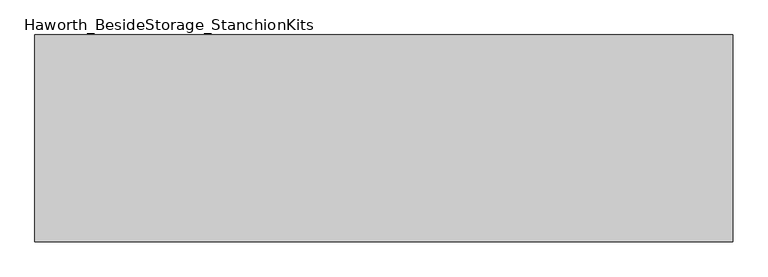
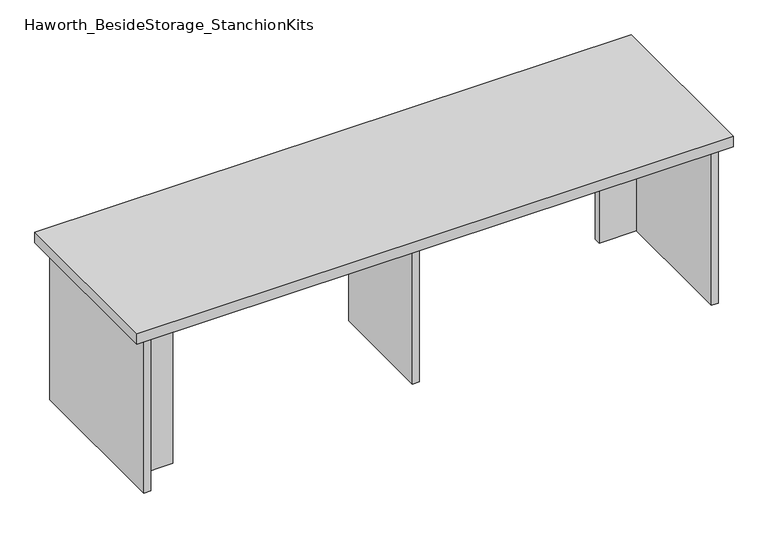
"""IFC4 building model written with IfcOpenShell, lengths in millimetres: furniture geometry, Haworth_BesideStorage_StanchionKits."""

from ifc_helpers import new_model, si_unit, frame, origin, place, context, project, spatial, polyline, outline, extrude, source, transform, mapped, element, save


def haworth_besidestorage_stanchionkits_dcbdb917(model_context):
    return source(origin(), model_context, "Body", "SweptSolid", [
        extrude(outline(polyline([(847.725, 0.0), (847.725, -406.4), (-523.875, -406.4), (-523.875, 0.0), (847.725, 0.0)])), frame((0.0, 0.0, 812.8), z_axis=(0.0, 0.0, 1.0), x_axis=(1.0, 0.0, 0.0)), (0.0, 0.0, 1.0), 25.4),
        extrude(outline(polyline([(720.725, -76.2), (806.45, -76.2), (806.45, -92.075), (720.725, -92.075), (720.725, -76.2)])), frame((0.0, 0.0, 431.8), z_axis=(0.0, 0.0, 1.0), x_axis=(1.0, 0.0, 0.0)), (0.0, 0.0, 1.0), 381.0),
        extrude(outline(polyline([(-396.875, -314.325), (-396.875, -330.2), (-482.6, -330.2), (-482.6, -314.325), (-396.875, -314.325)])), frame((0.0, 0.0, 431.8), z_axis=(0.0, 0.0, 1.0), x_axis=(1.0, 0.0, 0.0)), (0.0, 0.0, 1.0), 381.0),
        extrude(outline(polyline([(169.8625, -330.2), (153.9875, -330.2), (153.9875, -76.2), (169.8625, -76.2), (169.8625, -330.2)])), frame((0.0, 0.0, 431.8), z_axis=(0.0, 0.0, 1.0), x_axis=(1.0, 0.0, 0.0)), (0.0, 0.0, 1.0), 381.0),
        extrude(outline(polyline([(822.325, -390.525), (806.45, -390.525), (806.45, -15.875), (822.325, -15.875), (822.325, -390.525)])), frame((0.0, 0.0, 431.8), z_axis=(0.0, 0.0, 1.0), x_axis=(1.0, 0.0, 0.0)), (0.0, 0.0, 1.0), 381.0),
        extrude(outline(polyline([(-482.6, -390.525), (-498.475, -390.525), (-498.475, -15.875), (-482.6, -15.875), (-482.6, -390.525)])), frame((0.0, 0.0, 431.8), z_axis=(0.0, 0.0, 1.0), x_axis=(1.0, 0.0, 0.0)), (0.0, 0.0, 1.0), 381.0),
    ])


if __name__ == "__main__":
    model = new_model("IFC4")
    model_context = context("Model", 3, world=origin())
    ifc_project = project(units=[si_unit("LENGTHUNIT", "METRE", prefix="MILLI")], contexts=[model_context])
    site = spatial("IfcSite", under=ifc_project)
    building = spatial("IfcBuilding", under=site)
    placement = place(None, origin())
    haworth_besidestorage_stanchionkits_shape = haworth_besidestorage_stanchionkits_dcbdb917(model_context)
    element("IfcFurniture", 1, ObjectType="Haworth_BesideStorage_StanchionKits", at=placement, inside=building, context=model_context, shape_type="MappedRepresentation", body=[
        mapped(haworth_besidestorage_stanchionkits_shape, transform((0.0, 0.0, 0.0), x_axis=(1.0, 0.0, 0.0), y_axis=(0.0, 1.0, 0.0), z_axis=(0.0, 0.0, 1.0))),
    ])
    save(model, "model.ifc")
